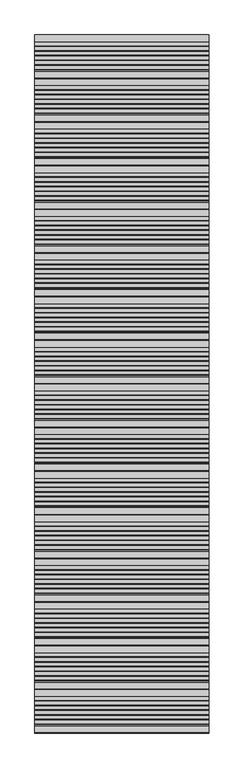
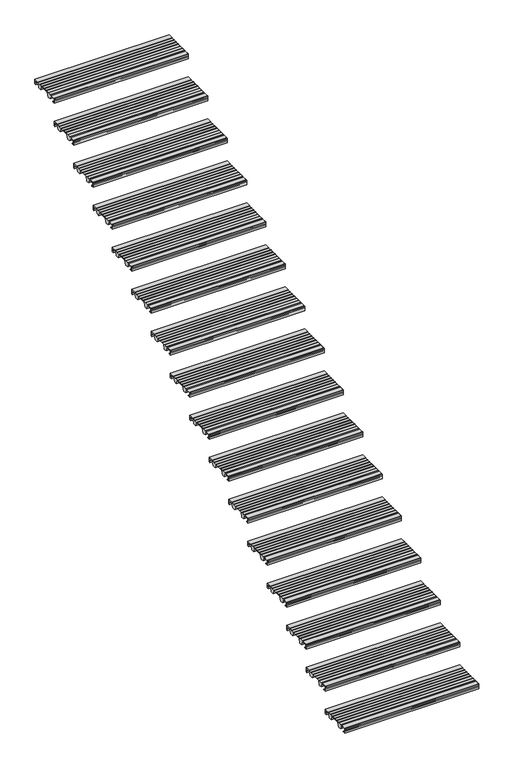
"""IFC4 building model written with IfcOpenShell, lengths in millimetres: stair flight geometry."""

import ifcopenshell
import ifcopenshell.guid

model = None  # the IFC model being written
_history = None  # IfcOwnerHistory: only IFC2X3 demands one
_inside = {}  # id of a spatial element -> (the spatial element, [elements in it])
_under = {}  # id of a project, library or spatial element -> (it, [spatial elements below it])
_declared = {}  # id of a project -> (the project, [libraries it declares])
_typed = {}  # id of a type object -> (the type object, [elements of that type])
_made_of = {}  # id of a material, layer set ... -> (it, [elements and type objects made of it])


def new_model(schema):
    """Start an empty IFC model of exactly this schema.

    Asked for "IFC4X3", IfcOpenShell would pick the latest addendum, in which some entities
    have other attributes; the version numbers below select the first issue.
    IFC2X3 requires an IfcOwnerHistory on every rooted entity: one is made here for all.
    """
    global model, _history
    if schema == "IFC4X3":
        model = ifcopenshell.file(schema_version=(4, 3, 0, 0))
    else:
        model = ifcopenshell.file(schema=schema)
    _inside.clear()
    _under.clear()
    _declared.clear()
    _typed.clear()
    _made_of.clear()
    _history = None
    if model.schema == "IFC2X3":
        org = make("IfcOrganization", Name="unknown")
        user = make(
            "IfcPersonAndOrganization",
            ThePerson=make("IfcPerson", FamilyName="unknown"),
            TheOrganization=org,
        )
        app = make(
            "IfcApplication",
            ApplicationDeveloper=org,
            Version="unknown",
            ApplicationFullName="unknown",
            ApplicationIdentifier="unknown",
        )
        _history = make(
            "IfcOwnerHistory",
            OwningUser=user,
            OwningApplication=app,
            ChangeAction="ADDED",
            CreationDate=0,
        )
    return model


def make(cls, **values):
    """One entity of the class cls with the attributes given. An attribute that is None is left unset."""
    return model.create_entity(
        cls, **{name: value for name, value in values.items() if value is not None}
    )


def rooted(cls, **values):
    """An entity with a GlobalId (a new one), such as an element, a storey or a relation."""
    return make(cls, GlobalId=ifcopenshell.guid.new(), OwnerHistory=_history, **values)


def si_unit(unit_type, name, prefix=None):
    """IfcSIUnit, for example si_unit("LENGTHUNIT", "METRE", prefix="MILLI")."""
    return make("IfcSIUnit", UnitType=unit_type, Prefix=prefix, Name=name)


def assignment(units):
    """IfcUnitAssignment: the units of a project."""
    return None if units is None else make("IfcUnitAssignment", Units=units)


def point(xyz):
    """IfcCartesianPoint."""
    return None if xyz is None else make("IfcCartesianPoint", Coordinates=xyz)


def direction(xyz):
    """IfcDirection."""
    return None if xyz is None else make("IfcDirection", DirectionRatios=xyz)


def frame(location, z_axis=None, x_axis=None):
    """IfcAxis2Placement3D, a coordinate frame: its origin and axes. An axis left out is left unset."""
    return make(
        "IfcAxis2Placement3D",
        Location=point(location),
        Axis=direction(z_axis),
        RefDirection=direction(x_axis),
    )


def frame_2d(location, x_axis=None):
    """IfcAxis2Placement2D, a coordinate frame in the plane: its origin and x axis."""
    return make(
        "IfcAxis2Placement2D", Location=point(location), RefDirection=direction(x_axis)
    )


def origin():
    """The frame at (0, 0, 0) with its axes left unset."""
    return frame((0.0, 0.0, 0.0))


def place(relative_to, where):
    """IfcLocalPlacement: puts the frame where relative to a parent placement (None: the world)."""
    return make(
        "IfcLocalPlacement", PlacementRelTo=relative_to, RelativePlacement=where
    )


def context(
    kind, dimensions, precision=None, world=None, true_north=None, identifier=None
):
    """IfcGeometricRepresentationContext, for example the 3D "Model" context."""
    return make(
        "IfcGeometricRepresentationContext",
        ContextIdentifier=identifier,
        ContextType=kind,
        CoordinateSpaceDimension=dimensions,
        Precision=precision,
        WorldCoordinateSystem=world,
        TrueNorth=true_north,
    )


def project(units=None, contexts=None):
    """IfcProject with its units and contexts."""
    return rooted(
        "IfcProject",
        Name="project",
        RepresentationContexts=contexts,
        UnitsInContext=assignment(units),
    )


def spatial(cls, under=None, at=None, **own):
    """A site, building, storey or space (cls), placed at a placement, below another one or the project."""
    s = rooted(cls, ObjectPlacement=at, **own)
    if under is not None:
        _under.setdefault(under.id(), (under, []))[1].append(s)
    return s


def polyline(points):
    """IfcPolyline through the points."""
    return make("IfcPolyline", Points=[point(p) for p in points])


def circle_curve(where, radius):
    """IfcCircle in the frame where."""
    return make("IfcCircle", Position=where, Radius=radius)


def trimmed(basis, trim1, trim2, sense, master):
    """IfcTrimmedCurve: the piece of a basis curve between two trims."""
    return make(
        "IfcTrimmedCurve",
        BasisCurve=basis,
        Trim1=trim1,
        Trim2=trim2,
        SenseAgreement=sense,
        MasterRepresentation=master,
    )


def segment(curve, same_sense, transition):
    """IfcCompositeCurveSegment."""
    return make(
        "IfcCompositeCurveSegment",
        Transition=transition,
        SameSense=same_sense,
        ParentCurve=curve,
    )


def composite_curve(segments, self_intersect=None):
    """IfcCompositeCurve: segments joined end to end."""
    return make("IfcCompositeCurve", Segments=segments, SelfIntersect=self_intersect)


def outline(outer, holes=None, kind="AREA"):
    """IfcArbitraryClosedProfileDef: a profile drawn as a closed curve; with holes, ...WithVoids."""
    if holes is None:
        return make("IfcArbitraryClosedProfileDef", ProfileType=kind, OuterCurve=outer)
    return make(
        "IfcArbitraryProfileDefWithVoids",
        ProfileType=kind,
        OuterCurve=outer,
        InnerCurves=holes,
    )


def extrude(swept, where, along, depth):
    """IfcExtrudedAreaSolid: the profile swept, set in the frame where, extruded along a direction by depth."""
    return make(
        "IfcExtrudedAreaSolid",
        SweptArea=swept,
        Position=where,
        ExtrudedDirection=direction(along),
        Depth=depth,
    )


def shape(context_of_items, identifier, shape_type, items):
    """IfcShapeRepresentation: the items that make up one representation, for example the "Body"."""
    return make(
        "IfcShapeRepresentation",
        ContextOfItems=context_of_items,
        RepresentationIdentifier=identifier,
        RepresentationType=shape_type,
        Items=items,
    )


def source(mapping_origin, context_of_items, identifier, shape_type, items):
    """IfcRepresentationMap: a shape defined once, which mapped items show again and again."""
    return make(
        "IfcRepresentationMap",
        MappingOrigin=mapping_origin,
        MappedRepresentation=shape(context_of_items, identifier, shape_type, items),
    )


def transform(
    local_origin,
    x_axis=None,
    y_axis=None,
    z_axis=None,
    scale=None,
    scale2=None,
    scale3=None,
    uniform=True,
):
    """IfcCartesianTransformationOperator3D, or its non-uniform kind. x_axis, y_axis, z_axis: its Axis1, 2, 3."""
    if uniform:
        return make(
            "IfcCartesianTransformationOperator3D",
            Axis1=direction(x_axis),
            Axis2=direction(y_axis),
            LocalOrigin=point(local_origin),
            Scale=scale,
            Axis3=direction(z_axis),
        )
    return make(
        "IfcCartesianTransformationOperator3DnonUniform",
        Axis1=direction(x_axis),
        Axis2=direction(y_axis),
        LocalOrigin=point(local_origin),
        Scale=scale,
        Axis3=direction(z_axis),
        Scale2=scale2,
        Scale3=scale3,
    )


def mapped(mapping_source, mapping_target):
    """IfcMappedItem: shows the shape of a source again, moved by a transform."""
    return make(
        "IfcMappedItem", MappingSource=mapping_source, MappingTarget=mapping_target
    )


def made_of(thing, what):
    """Note that an element or type object is made of a material, layer set ...; save() writes the relation."""
    if what is not None:
        _made_of.setdefault(what.id(), (what, []))[1].append(thing)
    return thing


def element(
    cls,
    number,
    at=None,
    inside=None,
    cuts=None,
    type_object=None,
    material=None,
    context=None,
    identifier="Body",
    shape_type=None,
    held_by="IfcProductDefinitionShape",
    body=None,
    shapes=None,
    **own,
):
    """One element of the class cls, such as IfcWall. Its Tag is "e" and its number.

    at: its placement. inside: the storey or other place that contains it. cuts: it is an
    opening in that element (IfcRelVoidsElement). A single representation is given by context,
    identifier, shape_type and body (its items); several are given by shapes. held_by: the class
    of the entity that holds the representations. save() writes the other relations.
    """
    e = rooted(cls, Tag="e%d" % number, ObjectPlacement=at, **own)
    if body is not None:
        shapes = [shape(context, identifier, shape_type, body)]
    if shapes is not None:
        e.Representation = make(held_by, Representations=shapes)
    if inside is not None:
        _inside.setdefault(inside.id(), (inside, []))[1].append(e)
    if cuts is not None:
        rooted(
            "IfcRelVoidsElement", RelatingBuildingElement=cuts, RelatedOpeningElement=e
        )
    if type_object is not None:
        _typed.setdefault(type_object.id(), (type_object, []))[1].append(e)
    return made_of(e, material)


def aggregate(whole, parts):
    """IfcRelAggregates: a whole, such as a stair, and the parts it consists of."""
    return rooted("IfcRelAggregates", RelatingObject=whole, RelatedObjects=parts)


def save(model, path):
    """Write the relations noted so far, then the file.

    IfcRelAggregates (storeys below a building ...), IfcRelContainedInSpatialStructure (elements
    in a storey), IfcRelDefinesByType, IfcRelAssociatesMaterial and IfcRelDeclares: one each for
    every whole, place, type object, material and project.
    """
    for whole, parts in _under.values():
        aggregate(whole, parts)
    for where, things in _inside.values():
        rooted(
            "IfcRelContainedInSpatialStructure",
            RelatedElements=things,
            RelatingStructure=where,
        )
    for kind, things in _typed.values():
        rooted("IfcRelDefinesByType", RelatedObjects=things, RelatingType=kind)
    for what, things in _made_of.values():
        rooted("IfcRelAssociatesMaterial", RelatedObjects=things, RelatingMaterial=what)
    for by, libraries in _declared.values():
        rooted("IfcRelDeclares", RelatingContext=by, RelatedDefinitions=libraries)
    model.write(path)


def stair_flight_95d9d303(model_context):
    return source(origin(), model_context, "Body", "SweptSolid", [
        extrude(outline(polyline([(330.241537, 146.566701), (333.6911097, 146.5590984), (333.6852572, 143.9036304), (329.3277322, 143.913234), (316.0419082, 154.2482367), (315.2549997, 177.9556119), (365.005155, 177.8459665), (365.005155, 179.4348035), (367.0397345, 179.4348035), (367.0397345, 177.4905206), (391.8863108, 177.4905206), (391.8863108, 179.4348035), (393.9208904, 179.4348035), (393.9208904, 177.4905206), (418.7674667, 177.4905206), (418.7674667, 179.4348035), (420.8020462, 179.4348035), (420.8020462, 177.4905206), (445.6486225, 177.4905206), (445.6486225, 179.4348035), (447.683202, 179.4348035), (447.683202, 177.4905206), (472.5297784, 177.4905206), (472.5297784, 179.4348035), (474.5643579, 179.4348035), (474.5643579, 177.4905206), (499.4015265, 177.4905206), (499.4015265, 179.4348035), (501.436106, 179.4348035), (501.436106, 177.4905206), (526.2839803, 177.4905206), (526.2839803, 179.3800408), (565.2704457, 179.2941176), (565.2704457, 143.3932348), (556.0761236, 143.4134983), (556.0761236, 152.6721471), (561.9760914, 152.659144), (561.9760914, 174.0107217), (523.7545504, 174.094959), (513.0290689, 143.5083707), (488.1372889, 143.5632302), (475.1433415, 174.7689503), (404.4726262, 174.9247031), (393.5485247, 143.7716964), (368.6567447, 143.8265559), (355.584046, 175.2214017), (317.8319893, 175.3046042), (318.4822444, 155.7142196), (330.241537, 146.566701)])), frame((16.5179428, 0.0, 0.0), z_axis=(1.0, 0.0, 0.0), x_axis=(0.0, 1.0, 0.0)), (0.0, 0.0, 1.0), 1000.0),
        extrude(outline(composite_curve([segment(polyline([(318.5648001, 174.0107217), (318.5648001, 152.659144), (324.4647678, 152.6721471), (324.4647678, 143.4134983), (315.2704457, 143.4134983), (315.2704457, 174.2941176)]), True, "CONTINUOUS"), segment(trimmed(circle_curve(frame_2d((320.2704457, 174.2941176)), 5.0), [point((315.2704457, 174.2941176))], [point((320.2704457, 179.2941176))], False, "CARTESIAN"), True, "CONTINUOUS"), segment(polyline([(320.2704457, 179.2941176), (354.978999, 179.2941176), (354.978999, 174.0909758), (318.5648001, 174.0107217)]), True, "CONTINUOUS")], self_intersect=False)), frame((16.5179428, 0.0, 0.0), z_axis=(1.0, 0.0, 0.0), x_axis=(0.0, 1.0, 0.0)), (0.0, 0.0, 1.0), 1000.0),
        extrude(outline(polyline([(580.241537, 325.8608187), (583.6911097, 325.8532161), (583.6852572, 323.197748), (579.3277322, 323.2073517), (566.0419082, 333.5423544), (565.2549997, 357.2497296), (615.005155, 357.1400841), (615.005155, 358.7289212), (617.0397345, 358.7289212), (617.0397345, 356.7846383), (641.8863108, 356.7846383), (641.8863108, 358.7289212), (643.9208904, 358.7289212), (643.9208904, 356.7846383), (668.7674667, 356.7846383), (668.7674667, 358.7289212), (670.8020462, 358.7289212), (670.8020462, 356.7846383), (695.6486225, 356.7846383), (695.6486225, 358.7289212), (697.683202, 358.7289212), (697.683202, 356.7846383), (722.5297784, 356.7846383), (722.5297784, 358.7289212), (724.5643579, 358.7289212), (724.5643579, 356.7846383), (749.4015265, 356.7846383), (749.4015265, 358.7289212), (751.436106, 358.7289212), (751.436106, 356.7846383), (776.2839803, 356.7846383), (776.2839803, 358.6741584), (815.2704457, 358.5882353), (815.2704457, 322.6873524), (806.0761236, 322.707616), (806.0761236, 331.9662647), (811.9760914, 331.9532616), (811.9760914, 353.3048394), (773.7545504, 353.3890766), (763.0290689, 322.8024883), (738.1372889, 322.8573478), (725.1433415, 354.063068), (654.4726262, 354.2188207), (643.5485247, 323.0658141), (618.6567447, 323.1206736), (605.584046, 354.5155193), (567.8319893, 354.5987219), (568.4822444, 335.0083372), (580.241537, 325.8608187)])), frame((16.5179428, 0.0, 0.0), z_axis=(1.0, 0.0, 0.0), x_axis=(0.0, 1.0, 0.0)), (0.0, 0.0, 1.0), 1000.0),
        extrude(outline(composite_curve([segment(polyline([(568.5648001, 353.3048394), (568.5648001, 331.9532616), (574.4647678, 331.9662647), (574.4647678, 322.707616), (565.2704457, 322.707616), (565.2704457, 353.5882353)]), True, "CONTINUOUS"), segment(trimmed(circle_curve(frame_2d((570.2704457, 353.5882353)), 5.0), [point((565.2704457, 353.5882353))], [point((570.2704457, 358.5882353))], False, "CARTESIAN"), True, "CONTINUOUS"), segment(polyline([(570.2704457, 358.5882353), (604.978999, 358.5882353), (604.978999, 353.3850934), (568.5648001, 353.3048394)]), True, "CONTINUOUS")], self_intersect=False)), frame((16.5179428, 0.0, 0.0), z_axis=(1.0, 0.0, 0.0), x_axis=(0.0, 1.0, 0.0)), (0.0, 0.0, 1.0), 1000.0),
        extrude(outline(polyline([(830.241537, 505.1549363), (833.6911097, 505.1473337), (833.6852572, 502.4918657), (829.3277322, 502.5014693), (816.0419082, 512.836472), (815.2549997, 536.5438472), (865.005155, 536.4342018), (865.005155, 538.0230388), (867.0397345, 538.0230388), (867.0397345, 536.0787559), (891.8863108, 536.0787559), (891.8863108, 538.0230388), (893.9208904, 538.0230388), (893.9208904, 536.0787559), (918.7674667, 536.0787559), (918.7674667, 538.0230388), (920.8020462, 538.0230388), (920.8020462, 536.0787559), (945.6486225, 536.0787559), (945.6486225, 538.0230388), (947.683202, 538.0230388), (947.683202, 536.0787559), (972.5297784, 536.0787559), (972.5297784, 538.0230388), (974.5643579, 538.0230388), (974.5643579, 536.0787559), (999.4015265, 536.0787559), (999.4015265, 538.0230388), (1001.436106, 538.0230388), (1001.436106, 536.0787559), (1026.2839803, 536.0787559), (1026.2839803, 537.9682761), (1065.2704457, 537.8823529), (1065.2704457, 501.9814701), (1056.0761236, 502.0017336), (1056.0761236, 511.2603824), (1061.9760914, 511.2473793), (1061.9760914, 532.598957), (1023.7545504, 532.6831943), (1013.0290689, 502.096606), (988.1372889, 502.1514655), (975.1433415, 533.3571856), (904.4726262, 533.5129384), (893.5485247, 502.3599317), (868.6567447, 502.4147912), (855.584046, 533.809637), (817.8319893, 533.8928395), (818.4822444, 514.3024549), (830.241537, 505.1549363)])), frame((16.5179428, 0.0, 0.0), z_axis=(1.0, 0.0, 0.0), x_axis=(0.0, 1.0, 0.0)), (0.0, 0.0, 1.0), 1000.0),
        extrude(outline(composite_curve([segment(polyline([(818.5648001, 532.598957), (818.5648001, 511.2473793), (824.4647678, 511.2603824), (824.4647678, 502.0017336), (815.2704457, 502.0017336), (815.2704457, 532.8823529)]), True, "CONTINUOUS"), segment(trimmed(circle_curve(frame_2d((820.2704457, 532.8823529)), 5.0), [point((815.2704457, 532.8823529))], [point((820.2704457, 537.8823529))], False, "CARTESIAN"), True, "CONTINUOUS"), segment(polyline([(820.2704457, 537.8823529), (854.978999, 537.8823529), (854.978999, 532.6792111), (818.5648001, 532.598957)]), True, "CONTINUOUS")], self_intersect=False)), frame((16.5179428, 0.0, 0.0), z_axis=(1.0, 0.0, 0.0), x_axis=(0.0, 1.0, 0.0)), (0.0, 0.0, 1.0), 1000.0),
        extrude(outline(polyline([(1080.241537, 684.449054), (1083.6911097, 684.4414514), (1083.6852572, 681.7859833), (1079.3277322, 681.7955869), (1066.0419082, 692.1305897), (1065.2549997, 715.8379649), (1115.005155, 715.7283194), (1115.005155, 717.3171565), (1117.0397345, 717.3171565), (1117.0397345, 715.3728736), (1141.8863108, 715.3728736), (1141.8863108, 717.3171565), (1143.9208904, 717.3171565), (1143.9208904, 715.3728736), (1168.7674667, 715.3728736), (1168.7674667, 717.3171565), (1170.8020462, 717.3171565), (1170.8020462, 715.3728736), (1195.6486225, 715.3728736), (1195.6486225, 717.3171565), (1197.683202, 717.3171565), (1197.683202, 715.3728736), (1222.5297784, 715.3728736), (1222.5297784, 717.3171565), (1224.5643579, 717.3171565), (1224.5643579, 715.3728736), (1249.4015265, 715.3728736), (1249.4015265, 717.3171565), (1251.436106, 717.3171565), (1251.436106, 715.3728736), (1276.2839803, 715.3728736), (1276.2839803, 717.2623937), (1315.2704457, 717.1764706), (1315.2704457, 681.2755877), (1306.0761236, 681.2958513), (1306.0761236, 690.5545), (1311.9760914, 690.5414969), (1311.9760914, 711.8930747), (1273.7545504, 711.9773119), (1263.0290689, 681.3907236), (1238.1372889, 681.4455831), (1225.1433415, 712.6513033), (1154.4726262, 712.807056), (1143.5485247, 681.6540494), (1118.6567447, 681.7089089), (1105.584046, 713.1037546), (1067.8319893, 713.1869572), (1068.4822444, 693.5965725), (1080.241537, 684.449054)])), frame((16.5179428, 0.0, 0.0), z_axis=(1.0, 0.0, 0.0), x_axis=(0.0, 1.0, 0.0)), (0.0, 0.0, 1.0), 1000.0),
        extrude(outline(composite_curve([segment(polyline([(1068.5648001, 711.8930747), (1068.5648001, 690.5414969), (1074.4647678, 690.5545), (1074.4647678, 681.2958513), (1065.2704457, 681.2958513), (1065.2704457, 712.1764706)]), True, "CONTINUOUS"), segment(trimmed(circle_curve(frame_2d((1070.2704457, 712.1764706)), 5.0), [point((1065.2704457, 712.1764706))], [point((1070.2704457, 717.1764706))], False, "CARTESIAN"), True, "CONTINUOUS"), segment(polyline([(1070.2704457, 717.1764706), (1104.978999, 717.1764706), (1104.978999, 711.9733287), (1068.5648001, 711.8930747)]), True, "CONTINUOUS")], self_intersect=False)), frame((16.5179428, 0.0, 0.0), z_axis=(1.0, 0.0, 0.0), x_axis=(0.0, 1.0, 0.0)), (0.0, 0.0, 1.0), 1000.0),
        extrude(outline(polyline([(1330.241537, 863.7431716), (1333.6911097, 863.735569), (1333.6852572, 861.080101), (1329.3277322, 861.0897046), (1316.0419082, 871.4247073), (1315.2549997, 895.1320825), (1365.005155, 895.0224371), (1365.005155, 896.6112741), (1367.0397345, 896.6112741), (1367.0397345, 894.6669912), (1391.8863108, 894.6669912), (1391.8863108, 896.6112741), (1393.9208904, 896.6112741), (1393.9208904, 894.6669912), (1418.7674667, 894.6669912), (1418.7674667, 896.6112741), (1420.8020462, 896.6112741), (1420.8020462, 894.6669912), (1445.6486225, 894.6669912), (1445.6486225, 896.6112741), (1447.683202, 896.6112741), (1447.683202, 894.6669912), (1472.5297784, 894.6669912), (1472.5297784, 896.6112741), (1474.5643579, 896.6112741), (1474.5643579, 894.6669912), (1499.4015265, 894.6669912), (1499.4015265, 896.6112741), (1501.436106, 896.6112741), (1501.436106, 894.6669912), (1526.2839803, 894.6669912), (1526.2839803, 896.5565113), (1565.2704457, 896.4705882), (1565.2704457, 860.5697053), (1556.0761236, 860.5899689), (1556.0761236, 869.8486177), (1561.9760914, 869.8356146), (1561.9760914, 891.1871923), (1523.7545504, 891.2714296), (1513.0290689, 860.6848412), (1488.1372889, 860.7397008), (1475.1433415, 891.9454209), (1404.4726262, 892.1011736), (1393.5485247, 860.948167), (1368.6567447, 861.0030265), (1355.584046, 892.3978723), (1317.8319893, 892.4810748), (1318.4822444, 872.8906902), (1330.241537, 863.7431716)])), frame((16.5179428, 0.0, 0.0), z_axis=(1.0, 0.0, 0.0), x_axis=(0.0, 1.0, 0.0)), (0.0, 0.0, 1.0), 1000.0),
        extrude(outline(composite_curve([segment(polyline([(1318.5648001, 891.1871923), (1318.5648001, 869.8356146), (1324.4647678, 869.8486177), (1324.4647678, 860.5899689), (1315.2704457, 860.5899689), (1315.2704457, 891.4705882)]), True, "CONTINUOUS"), segment(trimmed(circle_curve(frame_2d((1320.2704457, 891.4705882)), 5.0), [point((1315.2704457, 891.4705882))], [point((1320.2704457, 896.4705882))], False, "CARTESIAN"), True, "CONTINUOUS"), segment(polyline([(1320.2704457, 896.4705882), (1354.978999, 896.4705882), (1354.978999, 891.2674463), (1318.5648001, 891.1871923)]), True, "CONTINUOUS")], self_intersect=False)), frame((16.5179428, 0.0, 0.0), z_axis=(1.0, 0.0, 0.0), x_axis=(0.0, 1.0, 0.0)), (0.0, 0.0, 1.0), 1000.0),
        extrude(outline(polyline([(1580.241537, 1043.0372893), (1583.6911097, 1043.0296867), (1583.6852572, 1040.3742186), (1579.3277322, 1040.3838222), (1566.0419082, 1050.718825), (1565.2549997, 1074.4262002), (1615.005155, 1074.3165547), (1615.005155, 1075.9053918), (1617.0397345, 1075.9053918), (1617.0397345, 1073.9611088), (1641.8863108, 1073.9611088), (1641.8863108, 1075.9053918), (1643.9208904, 1075.9053918), (1643.9208904, 1073.9611088), (1668.7674667, 1073.9611088), (1668.7674667, 1075.9053918), (1670.8020462, 1075.9053918), (1670.8020462, 1073.9611088), (1695.6486225, 1073.9611088), (1695.6486225, 1075.9053918), (1697.683202, 1075.9053918), (1697.683202, 1073.9611088), (1722.5297784, 1073.9611088), (1722.5297784, 1075.9053918), (1724.5643579, 1075.9053918), (1724.5643579, 1073.9611088), (1749.4015265, 1073.9611088), (1749.4015265, 1075.9053918), (1751.436106, 1075.9053918), (1751.436106, 1073.9611088), (1776.2839803, 1073.9611088), (1776.2839803, 1075.850629), (1815.2704457, 1075.7647059), (1815.2704457, 1039.863823), (1806.0761236, 1039.8840866), (1806.0761236, 1049.1427353), (1811.9760914, 1049.1297322), (1811.9760914, 1070.48131), (1773.7545504, 1070.5655472), (1763.0290689, 1039.9789589), (1738.1372889, 1040.0338184), (1725.1433415, 1071.2395386), (1654.4726262, 1071.3952913), (1643.5485247, 1040.2422846), (1618.6567447, 1040.2971442), (1605.584046, 1071.6919899), (1567.8319893, 1071.7751925), (1568.4822444, 1052.1848078), (1580.241537, 1043.0372893)])), frame((16.5179428, 0.0, 0.0), z_axis=(1.0, 0.0, 0.0), x_axis=(0.0, 1.0, 0.0)), (0.0, 0.0, 1.0), 1000.0),
        extrude(outline(composite_curve([segment(polyline([(1568.5648001, 1070.48131), (1568.5648001, 1049.1297322), (1574.4647678, 1049.1427353), (1574.4647678, 1039.8840866), (1565.2704457, 1039.8840866), (1565.2704457, 1070.7647059)]), True, "CONTINUOUS"), segment(trimmed(circle_curve(frame_2d((1570.2704457, 1070.7647059)), 5.0), [point((1565.2704457, 1070.7647059))], [point((1570.2704457, 1075.7647059))], False, "CARTESIAN"), True, "CONTINUOUS"), segment(polyline([(1570.2704457, 1075.7647059), (1604.978999, 1075.7647059), (1604.978999, 1070.561564), (1568.5648001, 1070.48131)]), True, "CONTINUOUS")], self_intersect=False)), frame((16.5179428, 0.0, 0.0), z_axis=(1.0, 0.0, 0.0), x_axis=(0.0, 1.0, 0.0)), (0.0, 0.0, 1.0), 1000.0),
        extrude(outline(polyline([(1830.241537, 1222.3314069), (1833.6911097, 1222.3238043), (1833.6852572, 1219.6683362), (1829.3277322, 1219.6779399), (1816.0419082, 1230.0129426), (1815.2549997, 1253.7203178), (1865.005155, 1253.6106724), (1865.005155, 1255.1995094), (1867.0397345, 1255.1995094), (1867.0397345, 1253.2552265), (1891.8863108, 1253.2552265), (1891.8863108, 1255.1995094), (1893.9208904, 1255.1995094), (1893.9208904, 1253.2552265), (1918.7674667, 1253.2552265), (1918.7674667, 1255.1995094), (1920.8020462, 1255.1995094), (1920.8020462, 1253.2552265), (1945.6486225, 1253.2552265), (1945.6486225, 1255.1995094), (1947.683202, 1255.1995094), (1947.683202, 1253.2552265), (1972.5297784, 1253.2552265), (1972.5297784, 1255.1995094), (1974.5643579, 1255.1995094), (1974.5643579, 1253.2552265), (1999.4015265, 1253.2552265), (1999.4015265, 1255.1995094), (2001.436106, 1255.1995094), (2001.436106, 1253.2552265), (2026.2839803, 1253.2552265), (2026.2839803, 1255.1447466), (2065.2704457, 1255.0588235), (2065.2704457, 1219.1579406), (2056.0761236, 1219.1782042), (2056.0761236, 1228.436853), (2061.9760914, 1228.4238499), (2061.9760914, 1249.7754276), (2023.7545504, 1249.8596649), (2013.0290689, 1219.2730765), (1988.1372889, 1219.3279361), (1975.1433415, 1250.5336562), (1904.4726262, 1250.6894089), (1893.5485247, 1219.5364023), (1868.6567447, 1219.5912618), (1855.584046, 1250.9861076), (1817.8319893, 1251.0693101), (1818.4822444, 1231.4789255), (1830.241537, 1222.3314069)])), frame((16.5179428, 0.0, 0.0), z_axis=(1.0, 0.0, 0.0), x_axis=(0.0, 1.0, 0.0)), (0.0, 0.0, 1.0), 1000.0),
        extrude(outline(composite_curve([segment(polyline([(1818.5648001, 1249.7754276), (1818.5648001, 1228.4238499), (1824.4647678, 1228.436853), (1824.4647678, 1219.1782042), (1815.2704457, 1219.1782042), (1815.2704457, 1250.0588235)]), True, "CONTINUOUS"), segment(trimmed(circle_curve(frame_2d((1820.2704457, 1250.0588235)), 5.0), [point((1815.2704457, 1250.0588235))], [point((1820.2704457, 1255.0588235))], False, "CARTESIAN"), True, "CONTINUOUS"), segment(polyline([(1820.2704457, 1255.0588235), (1854.978999, 1255.0588235), (1854.978999, 1249.8556816), (1818.5648001, 1249.7754276)]), True, "CONTINUOUS")], self_intersect=False)), frame((16.5179428, 0.0, 0.0), z_axis=(1.0, 0.0, 0.0), x_axis=(0.0, 1.0, 0.0)), (0.0, 0.0, 1.0), 1000.0),
        extrude(outline(polyline([(2080.241537, 1401.6255246), (2083.6911097, 1401.617922), (2083.6852572, 1398.9624539), (2079.3277322, 1398.9720575), (2066.0419082, 1409.3070603), (2065.2549997, 1433.0144355), (2115.005155, 1432.90479), (2115.005155, 1434.4936271), (2117.0397345, 1434.4936271), (2117.0397345, 1432.5493441), (2141.8863108, 1432.5493441), (2141.8863108, 1434.4936271), (2143.9208904, 1434.4936271), (2143.9208904, 1432.5493441), (2168.7674667, 1432.5493441), (2168.7674667, 1434.4936271), (2170.8020462, 1434.4936271), (2170.8020462, 1432.5493441), (2195.6486225, 1432.5493441), (2195.6486225, 1434.4936271), (2197.683202, 1434.4936271), (2197.683202, 1432.5493441), (2222.5297784, 1432.5493441), (2222.5297784, 1434.4936271), (2224.5643579, 1434.4936271), (2224.5643579, 1432.5493441), (2249.4015265, 1432.5493441), (2249.4015265, 1434.4936271), (2251.436106, 1434.4936271), (2251.436106, 1432.5493441), (2276.2839803, 1432.5493441), (2276.2839803, 1434.4388643), (2315.2704457, 1434.3529412), (2315.2704457, 1398.4520583), (2306.0761236, 1398.4723219), (2306.0761236, 1407.7309706), (2311.9760914, 1407.7179675), (2311.9760914, 1429.0695452), (2273.7545504, 1429.1537825), (2263.0290689, 1398.5671942), (2238.1372889, 1398.6220537), (2225.1433415, 1429.8277739), (2154.4726262, 1429.9835266), (2143.5485247, 1398.8305199), (2118.6567447, 1398.8853795), (2105.584046, 1430.2802252), (2067.8319893, 1430.3634278), (2068.4822444, 1410.7730431), (2080.241537, 1401.6255246)])), frame((16.5179428, 0.0, 0.0), z_axis=(1.0, 0.0, 0.0), x_axis=(0.0, 1.0, 0.0)), (0.0, 0.0, 1.0), 1000.0),
        extrude(outline(composite_curve([segment(polyline([(2068.5648001, 1429.0695452), (2068.5648001, 1407.7179675), (2074.4647678, 1407.7309706), (2074.4647678, 1398.4723219), (2065.2704457, 1398.4723219), (2065.2704457, 1429.3529412)]), True, "CONTINUOUS"), segment(trimmed(circle_curve(frame_2d((2070.2704457, 1429.3529412)), 5.0), [point((2065.2704457, 1429.3529412))], [point((2070.2704457, 1434.3529412))], False, "CARTESIAN"), True, "CONTINUOUS"), segment(polyline([(2070.2704457, 1434.3529412), (2104.978999, 1434.3529412), (2104.978999, 1429.1497993), (2068.5648001, 1429.0695452)]), True, "CONTINUOUS")], self_intersect=False)), frame((16.5179428, 0.0, 0.0), z_axis=(1.0, 0.0, 0.0), x_axis=(0.0, 1.0, 0.0)), (0.0, 0.0, 1.0), 1000.0),
        extrude(outline(polyline([(2330.241537, 1580.9196422), (2333.6911097, 1580.9120396), (2333.6852572, 1578.2565715), (2329.3277322, 1578.2661752), (2316.0419082, 1588.6011779), (2315.2549997, 1612.3085531), (2365.005155, 1612.1989077), (2365.005155, 1613.7877447), (2367.0397345, 1613.7877447), (2367.0397345, 1611.8434618), (2391.8863108, 1611.8434618), (2391.8863108, 1613.7877447), (2393.9208904, 1613.7877447), (2393.9208904, 1611.8434618), (2418.7674667, 1611.8434618), (2418.7674667, 1613.7877447), (2420.8020462, 1613.7877447), (2420.8020462, 1611.8434618), (2445.6486225, 1611.8434618), (2445.6486225, 1613.7877447), (2447.683202, 1613.7877447), (2447.683202, 1611.8434618), (2472.5297784, 1611.8434618), (2472.5297784, 1613.7877447), (2474.5643579, 1613.7877447), (2474.5643579, 1611.8434618), (2499.4015265, 1611.8434618), (2499.4015265, 1613.7877447), (2501.436106, 1613.7877447), (2501.436106, 1611.8434618), (2526.2839803, 1611.8434618), (2526.2839803, 1613.7329819), (2565.2704457, 1613.6470588), (2565.2704457, 1577.7461759), (2556.0761236, 1577.7664395), (2556.0761236, 1587.0250882), (2561.9760914, 1587.0120852), (2561.9760914, 1608.3636629), (2523.7545504, 1608.4479002), (2513.0290689, 1577.8613118), (2488.1372889, 1577.9161714), (2475.1433415, 1609.1218915), (2404.4726262, 1609.2776442), (2393.5485247, 1578.1246376), (2368.6567447, 1578.1794971), (2355.584046, 1609.5743428), (2317.8319893, 1609.6575454), (2318.4822444, 1590.0671607), (2330.241537, 1580.9196422)])), frame((16.5179428, 0.0, 0.0), z_axis=(1.0, 0.0, 0.0), x_axis=(0.0, 1.0, 0.0)), (0.0, 0.0, 1.0), 1000.0),
        extrude(outline(composite_curve([segment(polyline([(2318.5648001, 1608.3636629), (2318.5648001, 1587.0120852), (2324.4647678, 1587.0250882), (2324.4647678, 1577.7664395), (2315.2704457, 1577.7664395), (2315.2704457, 1608.6470588)]), True, "CONTINUOUS"), segment(trimmed(circle_curve(frame_2d((2320.2704457, 1608.6470588)), 5.0), [point((2315.2704457, 1608.6470588))], [point((2320.2704457, 1613.6470588))], False, "CARTESIAN"), True, "CONTINUOUS"), segment(polyline([(2320.2704457, 1613.6470588), (2354.978999, 1613.6470588), (2354.978999, 1608.4439169), (2318.5648001, 1608.3636629)]), True, "CONTINUOUS")], self_intersect=False)), frame((16.5179428, 0.0, 0.0), z_axis=(1.0, 0.0, 0.0), x_axis=(0.0, 1.0, 0.0)), (0.0, 0.0, 1.0), 1000.0),
        extrude(outline(polyline([(2580.241537, 1760.2137599), (2583.6911097, 1760.2061573), (2583.6852572, 1757.5506892), (2579.3277322, 1757.5602928), (2566.0419082, 1767.8952956), (2565.2549997, 1791.6026708), (2615.005155, 1791.4930253), (2615.005155, 1793.0818624), (2617.0397345, 1793.0818624), (2617.0397345, 1791.1375794), (2641.8863108, 1791.1375794), (2641.8863108, 1793.0818624), (2643.9208904, 1793.0818624), (2643.9208904, 1791.1375794), (2668.7674667, 1791.1375794), (2668.7674667, 1793.0818624), (2670.8020462, 1793.0818624), (2670.8020462, 1791.1375794), (2695.6486225, 1791.1375794), (2695.6486225, 1793.0818624), (2697.683202, 1793.0818624), (2697.683202, 1791.1375794), (2722.5297784, 1791.1375794), (2722.5297784, 1793.0818624), (2724.5643579, 1793.0818624), (2724.5643579, 1791.1375794), (2749.4015265, 1791.1375794), (2749.4015265, 1793.0818624), (2751.436106, 1793.0818624), (2751.436106, 1791.1375794), (2776.2839803, 1791.1375794), (2776.2839803, 1793.0270996), (2815.2704457, 1792.9411765), (2815.2704457, 1757.0402936), (2806.0761236, 1757.0605571), (2806.0761236, 1766.3192059), (2811.9760914, 1766.3062028), (2811.9760914, 1787.6577805), (2773.7545504, 1787.7420178), (2763.0290689, 1757.1554295), (2738.1372889, 1757.210289), (2725.1433415, 1788.4160092), (2654.4726262, 1788.5717619), (2643.5485247, 1757.4187552), (2618.6567447, 1757.4736148), (2605.584046, 1788.8684605), (2567.8319893, 1788.9516631), (2568.4822444, 1769.3612784), (2580.241537, 1760.2137599)])), frame((16.5179428, 0.0, 0.0), z_axis=(1.0, 0.0, 0.0), x_axis=(0.0, 1.0, 0.0)), (0.0, 0.0, 1.0), 1000.0),
        extrude(outline(composite_curve([segment(polyline([(2568.5648001, 1787.6577805), (2568.5648001, 1766.3062028), (2574.4647678, 1766.3192059), (2574.4647678, 1757.0605571), (2565.2704457, 1757.0605571), (2565.2704457, 1787.9411765)]), True, "CONTINUOUS"), segment(trimmed(circle_curve(frame_2d((2570.2704457, 1787.9411765)), 5.0), [point((2565.2704457, 1787.9411765))], [point((2570.2704457, 1792.9411765))], False, "CARTESIAN"), True, "CONTINUOUS"), segment(polyline([(2570.2704457, 1792.9411765), (2604.978999, 1792.9411765), (2604.978999, 1787.7380346), (2568.5648001, 1787.6577805)]), True, "CONTINUOUS")], self_intersect=False)), frame((16.5179428, 0.0, 0.0), z_axis=(1.0, 0.0, 0.0), x_axis=(0.0, 1.0, 0.0)), (0.0, 0.0, 1.0), 1000.0),
        extrude(outline(polyline([(2830.241537, 1939.5078775), (2833.6911097, 1939.5002749), (2833.6852572, 1936.8448068), (2829.3277322, 1936.8544105), (2816.0419082, 1947.1894132), (2815.2549997, 1970.8967884), (2865.005155, 1970.787143), (2865.005155, 1972.37598), (2867.0397345, 1972.37598), (2867.0397345, 1970.4316971), (2891.8863108, 1970.4316971), (2891.8863108, 1972.37598), (2893.9208904, 1972.37598), (2893.9208904, 1970.4316971), (2918.7674667, 1970.4316971), (2918.7674667, 1972.37598), (2920.8020462, 1972.37598), (2920.8020462, 1970.4316971), (2945.6486225, 1970.4316971), (2945.6486225, 1972.37598), (2947.683202, 1972.37598), (2947.683202, 1970.4316971), (2972.5297784, 1970.4316971), (2972.5297784, 1972.37598), (2974.5643579, 1972.37598), (2974.5643579, 1970.4316971), (2999.4015265, 1970.4316971), (2999.4015265, 1972.37598), (3001.436106, 1972.37598), (3001.436106, 1970.4316971), (3026.2839803, 1970.4316971), (3026.2839803, 1972.3212172), (3065.2704457, 1972.2352941), (3065.2704457, 1936.3344112), (3056.0761236, 1936.3546748), (3056.0761236, 1945.6133235), (3061.9760914, 1945.6003205), (3061.9760914, 1966.9518982), (3023.7545504, 1967.0361355), (3013.0290689, 1936.4495471), (2988.1372889, 1936.5044067), (2975.1433415, 1967.7101268), (2904.4726262, 1967.8658795), (2893.5485247, 1936.7128729), (2868.6567447, 1936.7677324), (2855.584046, 1968.1625781), (2817.8319893, 1968.2457807), (2818.4822444, 1948.655396), (2830.241537, 1939.5078775)])), frame((16.5179428, 0.0, 0.0), z_axis=(1.0, 0.0, 0.0), x_axis=(0.0, 1.0, 0.0)), (0.0, 0.0, 1.0), 1000.0),
        extrude(outline(composite_curve([segment(polyline([(2818.5648001, 1966.9518982), (2818.5648001, 1945.6003205), (2824.4647678, 1945.6133235), (2824.4647678, 1936.3546748), (2815.2704457, 1936.3546748), (2815.2704457, 1967.2352941)]), True, "CONTINUOUS"), segment(trimmed(circle_curve(frame_2d((2820.2704457, 1967.2352941)), 5.0), [point((2815.2704457, 1967.2352941))], [point((2820.2704457, 1972.2352941))], False, "CARTESIAN"), True, "CONTINUOUS"), segment(polyline([(2820.2704457, 1972.2352941), (2854.978999, 1972.2352941), (2854.978999, 1967.0321522), (2818.5648001, 1966.9518982)]), True, "CONTINUOUS")], self_intersect=False)), frame((16.5179428, 0.0, 0.0), z_axis=(1.0, 0.0, 0.0), x_axis=(0.0, 1.0, 0.0)), (0.0, 0.0, 1.0), 1000.0),
        extrude(outline(polyline([(3080.241537, 2118.8019951), (3083.6911097, 2118.7943926), (3083.6852572, 2116.1389245), (3079.3277322, 2116.1485281), (3066.0419082, 2126.4835308), (3065.2549997, 2150.1909061), (3115.005155, 2150.0812606), (3115.005155, 2151.6700976), (3117.0397345, 2151.6700976), (3117.0397345, 2149.7258147), (3141.8863108, 2149.7258147), (3141.8863108, 2151.6700976), (3143.9208904, 2151.6700976), (3143.9208904, 2149.7258147), (3168.7674667, 2149.7258147), (3168.7674667, 2151.6700976), (3170.8020462, 2151.6700976), (3170.8020462, 2149.7258147), (3195.6486225, 2149.7258147), (3195.6486225, 2151.6700976), (3197.683202, 2151.6700976), (3197.683202, 2149.7258147), (3222.5297784, 2149.7258147), (3222.5297784, 2151.6700976), (3224.5643579, 2151.6700976), (3224.5643579, 2149.7258147), (3249.4015265, 2149.7258147), (3249.4015265, 2151.6700976), (3251.436106, 2151.6700976), (3251.436106, 2149.7258147), (3276.2839803, 2149.7258147), (3276.2839803, 2151.6153349), (3315.2704457, 2151.5294118), (3315.2704457, 2115.6285289), (3306.0761236, 2115.6487924), (3306.0761236, 2124.9074412), (3311.9760914, 2124.8944381), (3311.9760914, 2146.2460158), (3273.7545504, 2146.3302531), (3263.0290689, 2115.7436648), (3238.1372889, 2115.7985243), (3225.1433415, 2147.0042445), (3154.4726262, 2147.1599972), (3143.5485247, 2116.0069905), (3118.6567447, 2116.0618501), (3105.584046, 2147.4566958), (3067.8319893, 2147.5398984), (3068.4822444, 2127.9495137), (3080.241537, 2118.8019951)])), frame((16.5179428, 0.0, 0.0), z_axis=(1.0, 0.0, 0.0), x_axis=(0.0, 1.0, 0.0)), (0.0, 0.0, 1.0), 1000.0),
        extrude(outline(composite_curve([segment(polyline([(3068.5648001, 2146.2460158), (3068.5648001, 2124.8944381), (3074.4647678, 2124.9074412), (3074.4647678, 2115.6487924), (3065.2704457, 2115.6487924), (3065.2704457, 2146.5294118)]), True, "CONTINUOUS"), segment(trimmed(circle_curve(frame_2d((3070.2704457, 2146.5294118)), 5.0), [point((3065.2704457, 2146.5294118))], [point((3070.2704457, 2151.5294118))], False, "CARTESIAN"), True, "CONTINUOUS"), segment(polyline([(3070.2704457, 2151.5294118), (3104.978999, 2151.5294118), (3104.978999, 2146.3262699), (3068.5648001, 2146.2460158)]), True, "CONTINUOUS")], self_intersect=False)), frame((16.5179428, 0.0, 0.0), z_axis=(1.0, 0.0, 0.0), x_axis=(0.0, 1.0, 0.0)), (0.0, 0.0, 1.0), 1000.0),
        extrude(outline(polyline([(3330.241537, 2298.0961128), (3333.6911097, 2298.0885102), (3333.6852572, 2295.4330421), (3329.3277322, 2295.4426458), (3316.0419082, 2305.7776485), (3315.2549997, 2329.4850237), (3365.005155, 2329.3753783), (3365.005155, 2330.9642153), (3367.0397345, 2330.9642153), (3367.0397345, 2329.0199324), (3391.8863108, 2329.0199324), (3391.8863108, 2330.9642153), (3393.9208904, 2330.9642153), (3393.9208904, 2329.0199324), (3418.7674667, 2329.0199324), (3418.7674667, 2330.9642153), (3420.8020462, 2330.9642153), (3420.8020462, 2329.0199324), (3445.6486225, 2329.0199324), (3445.6486225, 2330.9642153), (3447.683202, 2330.9642153), (3447.683202, 2329.0199324), (3472.5297784, 2329.0199324), (3472.5297784, 2330.9642153), (3474.5643579, 2330.9642153), (3474.5643579, 2329.0199324), (3499.4015265, 2329.0199324), (3499.4015265, 2330.9642153), (3501.436106, 2330.9642153), (3501.436106, 2329.0199324), (3526.2839803, 2329.0199324), (3526.2839803, 2330.9094525), (3565.2704457, 2330.8235294), (3565.2704457, 2294.9226465), (3556.0761236, 2294.9429101), (3556.0761236, 2304.2015588), (3561.9760914, 2304.1885558), (3561.9760914, 2325.5401335), (3523.7545504, 2325.6243708), (3513.0290689, 2295.0377824), (3488.1372889, 2295.092642), (3475.1433415, 2326.2983621), (3404.4726262, 2326.4541148), (3393.5485247, 2295.3011082), (3368.6567447, 2295.3559677), (3355.584046, 2326.7508134), (3317.8319893, 2326.834016), (3318.4822444, 2307.2436313), (3330.241537, 2298.0961128)])), frame((16.5179428, 0.0, 0.0), z_axis=(1.0, 0.0, 0.0), x_axis=(0.0, 1.0, 0.0)), (0.0, 0.0, 1.0), 1000.0),
        extrude(outline(composite_curve([segment(polyline([(3318.5648001, 2325.5401335), (3318.5648001, 2304.1885558), (3324.4647678, 2304.2015588), (3324.4647678, 2294.9429101), (3315.2704457, 2294.9429101), (3315.2704457, 2325.8235294)]), True, "CONTINUOUS"), segment(trimmed(circle_curve(frame_2d((3320.2704457, 2325.8235294)), 5.0), [point((3315.2704457, 2325.8235294))], [point((3320.2704457, 2330.8235294))], False, "CARTESIAN"), True, "CONTINUOUS"), segment(polyline([(3320.2704457, 2330.8235294), (3354.978999, 2330.8235294), (3354.978999, 2325.6203875), (3318.5648001, 2325.5401335)]), True, "CONTINUOUS")], self_intersect=False)), frame((16.5179428, 0.0, 0.0), z_axis=(1.0, 0.0, 0.0), x_axis=(0.0, 1.0, 0.0)), (0.0, 0.0, 1.0), 1000.0),
        extrude(outline(polyline([(3580.241537, 2477.3902304), (3583.6911097, 2477.3826279), (3583.6852572, 2474.7271598), (3579.3277322, 2474.7367634), (3566.0419082, 2485.0717661), (3565.2549997, 2508.7791414), (3615.005155, 2508.6694959), (3615.005155, 2510.2583329), (3617.0397345, 2510.2583329), (3617.0397345, 2508.31405), (3641.8863108, 2508.31405), (3641.8863108, 2510.2583329), (3643.9208904, 2510.2583329), (3643.9208904, 2508.31405), (3668.7674667, 2508.31405), (3668.7674667, 2510.2583329), (3670.8020462, 2510.2583329), (3670.8020462, 2508.31405), (3695.6486225, 2508.31405), (3695.6486225, 2510.2583329), (3697.683202, 2510.2583329), (3697.683202, 2508.31405), (3722.5297784, 2508.31405), (3722.5297784, 2510.2583329), (3724.5643579, 2510.2583329), (3724.5643579, 2508.31405), (3749.4015265, 2508.31405), (3749.4015265, 2510.2583329), (3751.436106, 2510.2583329), (3751.436106, 2508.31405), (3776.2839803, 2508.31405), (3776.2839803, 2510.2035702), (3815.2704457, 2510.1176471), (3815.2704457, 2474.2167642), (3806.0761236, 2474.2370277), (3806.0761236, 2483.4956765), (3811.9760914, 2483.4826734), (3811.9760914, 2504.8342511), (3773.7545504, 2504.9184884), (3763.0290689, 2474.3319001), (3738.1372889, 2474.3867596), (3725.1433415, 2505.5924798), (3654.4726262, 2505.7482325), (3643.5485247, 2474.5952258), (3618.6567447, 2474.6500854), (3605.584046, 2506.0449311), (3567.8319893, 2506.1281337), (3568.4822444, 2486.537749), (3580.241537, 2477.3902304)])), frame((16.5179428, 0.0, 0.0), z_axis=(1.0, 0.0, 0.0), x_axis=(0.0, 1.0, 0.0)), (0.0, 0.0, 1.0), 1000.0),
        extrude(outline(composite_curve([segment(polyline([(3568.5648001, 2504.8342511), (3568.5648001, 2483.4826734), (3574.4647678, 2483.4956765), (3574.4647678, 2474.2370277), (3565.2704457, 2474.2370277), (3565.2704457, 2505.1176471)]), True, "CONTINUOUS"), segment(trimmed(circle_curve(frame_2d((3570.2704457, 2505.1176471)), 5.0), [point((3565.2704457, 2505.1176471))], [point((3570.2704457, 2510.1176471))], False, "CARTESIAN"), True, "CONTINUOUS"), segment(polyline([(3570.2704457, 2510.1176471), (3604.978999, 2510.1176471), (3604.978999, 2504.9145052), (3568.5648001, 2504.8342511)]), True, "CONTINUOUS")], self_intersect=False)), frame((16.5179428, 0.0, 0.0), z_axis=(1.0, 0.0, 0.0), x_axis=(0.0, 1.0, 0.0)), (0.0, 0.0, 1.0), 1000.0),
        extrude(outline(polyline([(3830.241537, 2656.6843481), (3833.6911097, 2656.6767455), (3833.6852572, 2654.0212774), (3829.3277322, 2654.0308811), (3816.0419082, 2664.3658838), (3815.2549997, 2688.073259), (3865.005155, 2687.9636136), (3865.005155, 2689.5524506), (3867.0397345, 2689.5524506), (3867.0397345, 2687.6081677), (3891.8863108, 2687.6081677), (3891.8863108, 2689.5524506), (3893.9208904, 2689.5524506), (3893.9208904, 2687.6081677), (3918.7674667, 2687.6081677), (3918.7674667, 2689.5524506), (3920.8020462, 2689.5524506), (3920.8020462, 2687.6081677), (3945.6486225, 2687.6081677), (3945.6486225, 2689.5524506), (3947.683202, 2689.5524506), (3947.683202, 2687.6081677), (3972.5297784, 2687.6081677), (3972.5297784, 2689.5524506), (3974.5643579, 2689.5524506), (3974.5643579, 2687.6081677), (3999.4015265, 2687.6081677), (3999.4015265, 2689.5524506), (4001.436106, 2689.5524506), (4001.436106, 2687.6081677), (4026.2839803, 2687.6081677), (4026.2839803, 2689.4976878), (4065.2704457, 2689.4117647), (4065.2704457, 2653.5108818), (4056.0761236, 2653.5311454), (4056.0761236, 2662.7897941), (4061.9760914, 2662.7767911), (4061.9760914, 2684.1283688), (4023.7545504, 2684.2126061), (4013.0290689, 2653.6260177), (3988.1372889, 2653.6808772), (3975.1433415, 2684.8865974), (3904.4726262, 2685.0423501), (3893.5485247, 2653.8893435), (3868.6567447, 2653.944203), (3855.584046, 2685.3390487), (3817.8319893, 2685.4222513), (3818.4822444, 2665.8318666), (3830.241537, 2656.6843481)])), frame((16.5179428, 0.0, 0.0), z_axis=(1.0, 0.0, 0.0), x_axis=(0.0, 1.0, 0.0)), (0.0, 0.0, 1.0), 1000.0),
        extrude(outline(composite_curve([segment(polyline([(3818.5648001, 2684.1283688), (3818.5648001, 2662.7767911), (3824.4647678, 2662.7897941), (3824.4647678, 2653.5311454), (3815.2704457, 2653.5311454), (3815.2704457, 2684.4117647)]), True, "CONTINUOUS"), segment(trimmed(circle_curve(frame_2d((3820.2704457, 2684.4117647)), 5.0), [point((3815.2704457, 2684.4117647))], [point((3820.2704457, 2689.4117647))], False, "CARTESIAN"), True, "CONTINUOUS"), segment(polyline([(3820.2704457, 2689.4117647), (3854.978999, 2689.4117647), (3854.978999, 2684.2086228), (3818.5648001, 2684.1283688)]), True, "CONTINUOUS")], self_intersect=False)), frame((16.5179428, 0.0, 0.0), z_axis=(1.0, 0.0, 0.0), x_axis=(0.0, 1.0, 0.0)), (0.0, 0.0, 1.0), 1000.0),
        extrude(outline(polyline([(4080.241537, 2835.9784657), (4083.6911097, 2835.9708632), (4083.6852572, 2833.3153951), (4079.3277322, 2833.3249987), (4066.0419082, 2843.6600014), (4065.2549997, 2867.3673766), (4115.005155, 2867.2577312), (4115.005155, 2868.8465682), (4117.0397345, 2868.8465682), (4117.0397345, 2866.9022853), (4141.8863108, 2866.9022853), (4141.8863108, 2868.8465682), (4143.9208904, 2868.8465682), (4143.9208904, 2866.9022853), (4168.7674667, 2866.9022853), (4168.7674667, 2868.8465682), (4170.8020462, 2868.8465682), (4170.8020462, 2866.9022853), (4195.6486225, 2866.9022853), (4195.6486225, 2868.8465682), (4197.683202, 2868.8465682), (4197.683202, 2866.9022853), (4222.5297784, 2866.9022853), (4222.5297784, 2868.8465682), (4224.5643579, 2868.8465682), (4224.5643579, 2866.9022853), (4249.4015265, 2866.9022853), (4249.4015265, 2868.8465682), (4251.436106, 2868.8465682), (4251.436106, 2866.9022853), (4276.2839803, 2866.9022853), (4276.2839803, 2868.7918055), (4315.2704457, 2868.7058824), (4315.2704457, 2832.8049995), (4306.0761236, 2832.825263), (4306.0761236, 2842.0839118), (4311.9760914, 2842.0709087), (4311.9760914, 2863.4224864), (4273.7545504, 2863.5067237), (4263.0290689, 2832.9201354), (4238.1372889, 2832.9749949), (4225.1433415, 2864.180715), (4154.4726262, 2864.3364678), (4143.5485247, 2833.1834611), (4118.6567447, 2833.2383207), (4105.584046, 2864.6331664), (4067.8319893, 2864.716369), (4068.4822444, 2845.1259843), (4080.241537, 2835.9784657)])), frame((16.5179428, 0.0, 0.0), z_axis=(1.0, 0.0, 0.0), x_axis=(0.0, 1.0, 0.0)), (0.0, 0.0, 1.0), 1000.0),
        extrude(outline(composite_curve([segment(polyline([(4068.5648001, 2863.4224864), (4068.5648001, 2842.0709087), (4074.4647678, 2842.0839118), (4074.4647678, 2832.825263), (4065.2704457, 2832.825263), (4065.2704457, 2863.7058824)]), True, "CONTINUOUS"), segment(trimmed(circle_curve(frame_2d((4070.2704457, 2863.7058824)), 5.0), [point((4065.2704457, 2863.7058824))], [point((4070.2704457, 2868.7058824))], False, "CARTESIAN"), True, "CONTINUOUS"), segment(polyline([(4070.2704457, 2868.7058824), (4104.978999, 2868.7058824), (4104.978999, 2863.5027405), (4068.5648001, 2863.4224864)]), True, "CONTINUOUS")], self_intersect=False)), frame((16.5179428, 0.0, 0.0), z_axis=(1.0, 0.0, 0.0), x_axis=(0.0, 1.0, 0.0)), (0.0, 0.0, 1.0), 1000.0),
    ])


if __name__ == "__main__":
    model = new_model("IFC4")
    model_context = context("Model", 3, world=origin())
    ifc_project = project(units=[si_unit("LENGTHUNIT", "METRE", prefix="MILLI")], contexts=[model_context])
    site = spatial("IfcSite", under=ifc_project)
    building = spatial("IfcBuilding", under=site)
    placement = place(None, origin())
    stair_flight_shape = stair_flight_95d9d303(model_context)
    element("IfcStairFlight", 1, at=placement, inside=building, context=model_context, shape_type="MappedRepresentation", body=[
        mapped(stair_flight_shape, transform((0.0, 0.0, 0.0), x_axis=(1.0, 0.0, 0.0), y_axis=(0.0, 1.0, 0.0), z_axis=(0.0, 0.0, 1.0))),
    ])
    save(model, "model.ifc")
